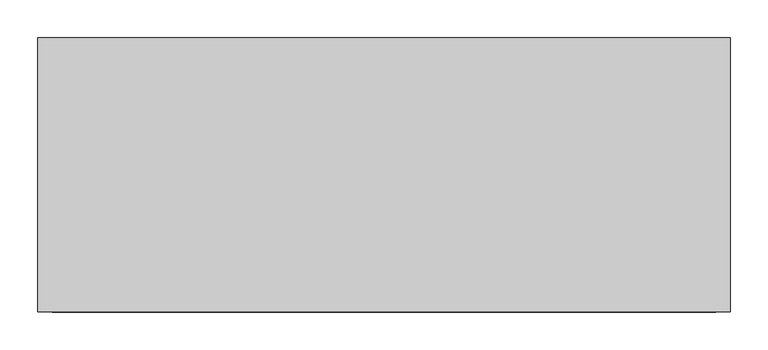
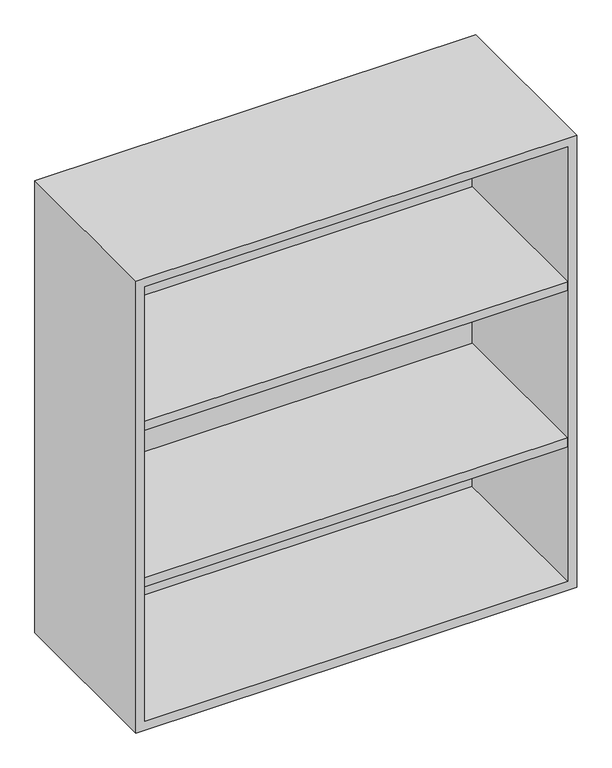
"""IFC4 building model written with IfcOpenShell, lengths in millimetres: furniture geometry."""

from ifc_helpers import new_model, si_unit, frame, origin, place, context, project, spatial, polyline, outline, extrude, source, transform, mapped, element, save


def furniture_4627a85a(model_context):
    return source(origin(), model_context, "Body", "SweptSolid", [
        extrude(outline(polyline([(438.1569453, 161.925), (438.1569453, -180.975), (-438.1291641, -180.975), (-438.1291641, 161.925), (438.1569453, 161.925)])), frame((0.0, 0.0, 1393.825), z_axis=(0.0, 0.0, 1.0), x_axis=(1.0, 0.0, 0.0)), (0.0, 0.0, 1.0), 19.05),
        extrude(outline(polyline([(438.1569453, 161.925), (438.1569453, -180.975), (-438.1291641, -180.975), (-438.1291641, 161.925), (438.1569453, 161.925)])), frame((0.0, 0.0, 1050.925), z_axis=(0.0, 0.0, 1.0), x_axis=(1.0, 0.0, 0.0)), (0.0, 0.0, 1.0), 19.05),
        extrude(outline(polyline([(736.6, -457.1861094), (736.6, 457.2138906), (1727.2, 457.2138906), (1727.2, -457.1861094), (736.6, -457.1861094)]), holes=[polyline([(755.65, -438.1361094), (1708.15, -438.1361094), (1708.15, 438.1569453), (755.65, 438.1569453), (755.65, -438.1361094)])]), frame((0.0, -180.975, 0.0), z_axis=(0.0, 1.0, 0.0), x_axis=(0.0, 0.0, 1.0)), (0.0, 0.0, 1.0), 361.95),
        extrude(outline(polyline([(-438.1291641, 161.925), (-438.1291641, 180.975), (438.1569453, 180.975), (438.1569453, 161.925), (-438.1291641, 161.925)])), frame((0.0, 0.0, 755.65), z_axis=(0.0, 0.0, 1.0), x_axis=(1.0, 0.0, 0.0)), (0.0, 0.0, 1.0), 952.5),
    ])


if __name__ == "__main__":
    model = new_model("IFC4")
    model_context = context("Model", 3, world=origin())
    ifc_project = project(units=[si_unit("LENGTHUNIT", "METRE", prefix="MILLI")], contexts=[model_context])
    site = spatial("IfcSite", under=ifc_project)
    building = spatial("IfcBuilding", under=site)
    placement = place(None, origin())
    furniture_shape = furniture_4627a85a(model_context)
    element("IfcFurniture", 1, at=placement, inside=building, context=model_context, shape_type="MappedRepresentation", body=[
        mapped(furniture_shape, transform((0.0, 0.0, 0.0), x_axis=(1.0, 0.0, 0.0), y_axis=(0.0, 1.0, 0.0), z_axis=(0.0, 0.0, 1.0))),
    ])
    save(model, "model.ifc")
